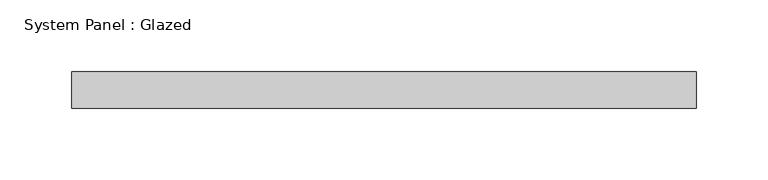
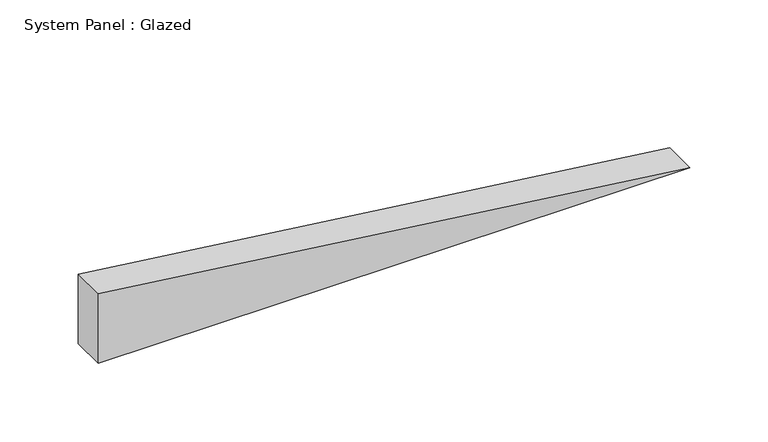
"""IFC4 building model written with IfcOpenShell, lengths in millimetres: plate geometry, System Panel : Glazed."""

from ifc_helpers import new_model, si_unit, frame, origin, place, context, project, spatial, polyline, outline, extrude, source, transform, mapped, element, save


def system_panel_glazed_b098c826(model_context):
    return source(origin(), model_context, "Body", "SweptSolid", [
        extrude(outline(polyline([(0.0, -217.7983841), (0.0, 217.7983841), (54.0556244, -217.7983841), (0.0, -217.7983841)])), frame((0.0, 19.05, 0.0), z_axis=(0.0, 1.0, 0.0), x_axis=(0.0, 0.0, 1.0)), (0.0, 0.0, 1.0), 25.4),
    ])


if __name__ == "__main__":
    model = new_model("IFC4")
    model_context = context("Model", 3, world=origin())
    ifc_project = project(units=[si_unit("LENGTHUNIT", "METRE", prefix="MILLI")], contexts=[model_context])
    site = spatial("IfcSite", under=ifc_project)
    building = spatial("IfcBuilding", under=site)
    placement = place(None, origin())
    system_panel_glazed_shape = system_panel_glazed_b098c826(model_context)
    element("IfcPlate", 1, ObjectType="System Panel : Glazed", at=placement, inside=building, context=model_context, shape_type="MappedRepresentation", body=[
        mapped(system_panel_glazed_shape, transform((0.0, 0.0, 0.0), x_axis=(1.0, 0.0, 0.0), y_axis=(0.0, 1.0, 0.0), z_axis=(0.0, 0.0, 1.0))),
    ])
    save(model, "model.ifc")
